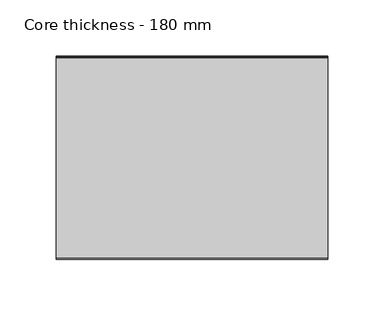
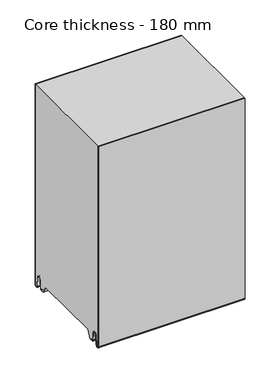
"""IFC4 building model written with IfcOpenShell, lengths in millimetres: plate geometry, Core thickness - 180 mm."""

from ifc_helpers import new_model, si_unit, frame, origin, place, context, project, spatial, polyline, circle_curve, source, transform, mapped, element, save
from ifc_brep_helpers import plane_surface, cylinder_surface, revolved_surface, advanced_brep


def core_thickness_180_mm_d62618c6(model_context):
    return source(origin(), model_context, "Body", "AdvancedBrep", [
        advanced_brep(
        [(119.9999998, -179.9996949, 3.0900682), (119.9999998, -173.81449, 2.7875612), (119.9999998, -172.197116, 19.2828169), (119.9999998, -169.1776715, 21.9898782), (119.9999998, -166.1582271, 19.2828169), (119.9999998, -164.7725998, 5.1510966), (119.9999998, -160.3830995, 5.365779), (119.9999998, -161.1830995, 5.365779), (119.9999998, -163.9764178, 5.2291629), (119.9999998, -165.3620451, 19.3608832), (119.9999998, -169.1776715, 22.7899182), (119.9999998, -172.9932979, 19.3608832), (119.9999998, -174.6106719, 2.8656275), (119.9999998, -179.1996949, 3.0900682), (119.9999998, -179.2, 350.0), (119.9999998, -179.9996949, 350.0), (-119.9999998, -179.1996949, 3.0900682), (-119.9999998, -174.6106719, 2.8656275), (-119.9999998, -172.9932979, 19.3608832), (-119.9999998, -169.1776715, 22.7899182), (-119.9999998, -165.3620451, 19.3608832), (-119.9999998, -163.9764178, 5.2291629), (-119.9999998, -161.1830995, 5.365779), (-119.9999998, -160.3830995, 5.365779), (-119.9999998, -164.7725998, 5.1510966), (-119.9999998, -166.1582271, 19.2828169), (-119.9999998, -169.1776715, 21.9898782), (-119.9999998, -172.197116, 19.2828169), (-119.9999998, -173.81449, 2.7875612), (-119.9999998, -179.9996949, 3.0900682), (-119.9999998, -179.9996949, 350.0), (-119.9999998, -179.2, 350.0)],
        [
            (0, 1, circle_curve(frame((119.9999998, -176.8996949, 3.0900682), z_axis=(1.0, 0.0, 0.0), x_axis=(0.0, 0.0, -1.0)), 3.1)),
            (1, 2),
            (2, 3, circle_curve(frame((119.9999998, -169.2114338, 18.9900682), z_axis=(-1.0, 0.0, 0.0), x_axis=(0.0, 0.0, -1.0)), 3.0)),
            (3, 4, circle_curve(frame((119.9999998, -169.1439093, 18.9900682), z_axis=(-1.0, 0.0, 0.0), x_axis=(0.0, 0.0, -1.0)), 3.0)),
            (4, 5),
            (5, 6, circle_curve(frame((119.9999998, -162.5830995, 5.365779), z_axis=(1.0, 0.0, 0.0), x_axis=(0.0, 0.0, -1.0)), 2.2)),
            (6, 7),
            (7, 8, circle_curve(frame((119.9999998, -162.5830995, 5.365779), z_axis=(-1.0, 0.0, 0.0), x_axis=(0.0, 0.0, -1.0)), 1.4)),
            (8, 9),
            (9, 10, circle_curve(frame((119.9999998, -169.1439093, 18.9900682), z_axis=(1.0, 0.0, 0.0), x_axis=(0.0, 0.0, -1.0)), 3.8)),
            (10, 11, circle_curve(frame((119.9999998, -169.2114338, 18.9900682), z_axis=(1.0, 0.0, 0.0), x_axis=(0.0, 0.0, -1.0)), 3.8)),
            (11, 12),
            (12, 13, circle_curve(frame((119.9999998, -176.8996949, 3.0900682), z_axis=(-1.0, 0.0, 0.0), x_axis=(0.0, 0.0, -1.0)), 2.3)),
            (13, 14),
            (14, 15),
            (15, 0),
            (16, 17, circle_curve(frame((-119.9999998, -176.8996949, 3.0900682), z_axis=(1.0, 0.0, 0.0), x_axis=(0.0, 0.0, -1.0)), 2.3)),
            (17, 18),
            (18, 19, circle_curve(frame((-119.9999998, -169.2114338, 18.9900682), z_axis=(-1.0, 0.0, 0.0), x_axis=(0.0, 0.0, -1.0)), 3.8)),
            (19, 20, circle_curve(frame((-119.9999998, -169.1439093, 18.9900682), z_axis=(-1.0, 0.0, 0.0), x_axis=(0.0, 0.0, -1.0)), 3.8)),
            (20, 21),
            (21, 22, circle_curve(frame((-119.9999998, -162.5830995, 5.365779), z_axis=(1.0, 0.0, 0.0), x_axis=(0.0, 0.0, -1.0)), 1.4)),
            (22, 23),
            (23, 24, circle_curve(frame((-119.9999998, -162.5830995, 5.365779), z_axis=(-1.0, 0.0, 0.0), x_axis=(0.0, 0.0, -1.0)), 2.2)),
            (24, 25),
            (25, 26, circle_curve(frame((-119.9999998, -169.1439093, 18.9900682), z_axis=(1.0, 0.0, 0.0), x_axis=(0.0, 0.0, -1.0)), 3.0)),
            (26, 27, circle_curve(frame((-119.9999998, -169.2114338, 18.9900682), z_axis=(1.0, 0.0, 0.0), x_axis=(0.0, 0.0, -1.0)), 3.0)),
            (27, 28),
            (28, 29, circle_curve(frame((-119.9999998, -176.8996949, 3.0900682), z_axis=(-1.0, 0.0, 0.0), x_axis=(0.0, 0.0, -1.0)), 3.1)),
            (29, 30),
            (30, 31),
            (31, 16),
            (13, 16),
            (31, 14),
            (29, 0),
            (15, 30),
            (12, 17),
            (11, 18),
            (10, 19),
            (9, 20),
            (8, 21),
            (7, 22),
            (6, 23),
            (5, 24),
            (4, 25),
            (3, 26),
            (2, 27),
            (1, 28),
        ],
        [
            plane_surface(frame((119.9999998, -180.0, 0.0), z_axis=(1.0, 0.0, 0.0), x_axis=(0.0, 1.0, 0.0))),
            plane_surface(frame((-119.9999998, -180.0, 0.0), z_axis=(-1.0, 0.0, 0.0), x_axis=(0.0, 1.0, 0.0))),
            plane_surface(frame((119.9999998, -179.2, 3.0900682), z_axis=(0.0, 1.0, 0.0), x_axis=(-1.0, 0.0, 0.0))),
            plane_surface(frame((119.9999998, -179.9996949, 1143.9000005), z_axis=(0.0, -1.0, 0.0), x_axis=(-1.0, 0.0, 0.0))),
            revolved_surface(polyline([(-119.9999998, -176.8996949, 0.7900682000000003), (119.9999998, -176.8996949, 0.7900682000000003)]), (119.9999998, -176.8996949, 3.0900682), (-1.0, 0.0, 0.0)),
            plane_surface(frame((119.9999998, -172.9932979, 19.3608832), z_axis=(0.0, -0.9952273999818314, 0.09758289975914787), x_axis=(-1.0, 0.0, 0.0))),
            cylinder_surface(frame((119.9999998, -169.2114338, 18.9900682), z_axis=(1.0, 0.0, 0.0), x_axis=(0.0, 0.0, -1.0)), 3.8),
            cylinder_surface(frame((119.9999998, -169.1439093, 18.9900682), z_axis=(1.0, 0.0, 0.0), x_axis=(0.0, 0.0, -1.0)), 3.8),
            plane_surface(frame((119.9999998, -163.9764178, 5.2291629), z_axis=(0.0, 0.9952273999818297, 0.09758289975916531), x_axis=(-1.0, 0.0, 0.0))),
            revolved_surface(polyline([(-119.9999998, -162.5830995, 3.965779), (119.9999998, -162.5830995, 3.965779)]), (119.9999998, -162.5830995, 5.365779), (-1.0, 0.0, 0.0)),
            plane_surface(frame((119.9999998, -160.3830995, 5.365779), z_axis=(0.0, 0.0, 1.0), x_axis=(-1.0, 0.0, 0.0))),
            cylinder_surface(frame((119.9999998, -162.5830995, 5.365779), z_axis=(1.0, 0.0, 0.0), x_axis=(0.0, 0.0, -1.0)), 2.2),
            plane_surface(frame((119.9999998, -166.1582271, 19.2828169), z_axis=(0.0, -0.9952273999818296, -0.09758289975916527), x_axis=(-1.0, 0.0, 0.0))),
            revolved_surface(polyline([(-119.9999998, -169.1439093, 15.9900682), (119.9999998, -169.1439093, 15.9900682)]), (119.9999998, -169.1439093, 18.9900682), (-1.0, 0.0, 0.0)),
            revolved_surface(polyline([(-119.9999998, -169.2114338, 15.9900682), (119.9999998, -169.2114338, 15.9900682)]), (119.9999998, -169.2114338, 18.9900682), (-1.0, 0.0, 0.0)),
            plane_surface(frame((119.9999998, -173.81449, 2.7875612), z_axis=(0.0, 0.9952273999818314, -0.09758289975914787), x_axis=(-1.0, 0.0, 0.0))),
            cylinder_surface(frame((119.9999998, -176.8996949, 3.0900682), z_axis=(1.0, 0.0, 0.0), x_axis=(0.0, 0.0, -1.0)), 3.1),
            plane_surface(frame((-119.9999998, 134.0533409, 350.0), z_axis=(0.0, 0.0, 1.0), x_axis=(1.0, 0.0, 0.0))),
        ],
        [
            (0, [[1, 2, 3, 4, 5, 6, 7, 8, 9, 10, 11, 12, 13, 14, 15, 16]]),
            (1, [[17, 18, 19, 20, 21, 22, 23, 24, 25, 26, 27, 28, 29, 30, 31, 32]]),
            (2, [[33, -32, 34, -14]]),
            (3, [[35, -16, 36, -30]]),
            (4, [[-13, 37, -17, -33]]),
            (5, [[-12, 38, -18, -37]]),
            (6, [[-11, 39, -19, -38]]),
            (7, [[-10, 40, -20, -39]]),
            (8, [[-9, 41, -21, -40]]),
            (9, [[-8, 42, -22, -41]]),
            (10, [[-7, 43, -23, -42]]),
            (11, [[-6, 44, -24, -43]]),
            (12, [[-5, 45, -25, -44]]),
            (13, [[-4, 46, -26, -45]]),
            (14, [[-3, 47, -27, -46]]),
            (15, [[-2, 48, -28, -47]]),
            (16, [[-1, -35, -29, -48]]),
            (17, [[-15, -34, -31, -36]]),
        ],
    ),
        advanced_brep(
        [(119.9999998, -149.873448, 15.1417681), (119.9999998, -30.126552, 15.1417681), (119.9999998, -23.4071318, 3.165779), (119.9999998, -17.4169005, 3.165779), (119.9999998, -19.6169005, 5.365779), (119.9999998, -18.8169005, 5.365779), (119.9999998, -16.0235822, 5.2291629), (119.9999998, -14.6379549, 19.3608832), (119.9999998, -10.8223285, 22.7899182), (119.9999998, -7.0067021, 19.3608832), (119.9999998, -5.3893281, 2.8656275), (119.9999998, -1.0794848, 4.1883784), (119.9999998, -1.5003051, 5.8439114), (119.9999998, -1.5003051, 42.0511837), (119.9999998, -1.0971009, 43.4705951), (119.9999998, -0.8, 44.5229805), (119.9999998, -0.8, 94.6827637), (119.9999998, -1.0986697, 95.7341795), (119.9999998, -1.5003051, 97.1545605), (119.9999998, -1.5003051, 147.3143437), (119.9999998, -1.0971009, 148.7337551), (119.9999998, -0.8, 149.7861405), (119.9999998, -0.8, 199.9459237), (119.9999998, -1.0986697, 200.9973395), (119.9999998, -1.5003051, 202.4177205), (119.9999998, -1.5003051, 252.5775037), (119.9999998, -1.0971009, 253.9969151), (119.9999998, -0.8, 255.0493005), (119.9999998, -0.8, 305.2090837), (119.9999998, -1.0986697, 306.2604995), (119.9999998, -1.5003051, 307.6808805), (119.9999998, -1.5003051, 350.0), (119.9999998, -179.2, 350.0), (119.9999998, -179.2, 3.0900682), (119.9999998, -174.6106719, 2.8656275), (119.9999998, -172.9932979, 19.3608832), (119.9999998, -169.1776715, 22.7899182), (119.9999998, -165.3620451, 19.3608832), (119.9999998, -163.9764178, 5.2291629), (119.9999998, -161.1830995, 5.365779), (119.9999998, -160.3830995, 5.365779), (119.9999998, -162.5830995, 3.165779), (119.9999998, -156.5928682, 3.165779), (-119.9999998, -30.126552, 15.1417681), (-119.9999998, -149.873448, 15.1417681), (-119.9999998, -156.5928682, 3.165779), (-119.9999998, -162.5830995, 3.165779), (-119.9999998, -160.3830995, 5.365779), (-119.9999998, -161.1830995, 5.365779), (-119.9999998, -163.9764178, 5.2291629), (-119.9999998, -165.3620451, 19.3608832), (-119.9999998, -169.1776715, 22.7899182), (-119.9999998, -172.9932979, 19.3608832), (-119.9999998, -174.6106719, 2.8656275), (-119.9999998, -179.1996949, 3.0900682), (-119.9999998, -179.2, 350.0), (-119.9999998, -1.5003051, 350.0), (-119.9999998, -1.5003051, 307.6808805), (-119.9999998, -1.0971009, 306.2614691), (-119.9999998, -0.8, 305.2090837), (-119.9999998, -0.8, 255.0493005), (-119.9999998, -1.0986697, 253.9978846), (-119.9999998, -1.5003051, 252.5775037), (-119.9999998, -1.5003051, 202.4177205), (-119.9999998, -1.0971009, 200.9983091), (-119.9999998, -0.8, 199.9459237), (-119.9999998, -0.8, 149.7861405), (-119.9999998, -1.0986697, 148.7347246), (-119.9999998, -1.5003051, 147.3143437), (-119.9999998, -1.5003051, 97.1545605), (-119.9999998, -1.0971009, 95.7351491), (-119.9999998, -0.8, 94.6827637), (-119.9999998, -0.8, 44.5229805), (-119.9999998, -1.0986697, 43.4715646), (-119.9999998, -1.5003051, 42.0511837), (-119.9999998, -1.5003051, 5.8439114), (-119.9999998, -1.0794848, 4.1883784), (-119.9999998, -5.3893281, 2.8656275), (-119.9999998, -7.0067021, 19.3608832), (-119.9999998, -10.8223285, 22.7899182), (-119.9999998, -14.6379549, 19.3608832), (-119.9999998, -16.0235822, 5.2291629), (-119.9999998, -18.8169005, 5.365779), (-119.9999998, -19.6169005, 5.365779), (-119.9999998, -17.4169005, 3.165779), (-119.9999998, -23.4071318, 3.165779)],
        [
            (0, 1),
            (1, 2),
            (2, 3),
            (3, 4, circle_curve(frame((119.9999998, -17.4169005, 5.365779), z_axis=(-1.0, 0.0, 0.0), x_axis=(0.0, 0.0, -1.0)), 2.2)),
            (4, 5),
            (5, 6, circle_curve(frame((119.9999998, -17.4169005, 5.365779), z_axis=(1.0, 0.0, 0.0), x_axis=(0.0, 0.0, -1.0)), 1.4)),
            (6, 7),
            (7, 8, circle_curve(frame((119.9999998, -10.8560907, 18.9900682), z_axis=(-1.0, 0.0, 0.0), x_axis=(0.0, 0.0, -1.0)), 3.8)),
            (8, 9, circle_curve(frame((119.9999998, -10.7885662, 18.9900682), z_axis=(-1.0, 0.0, 0.0), x_axis=(0.0, 0.0, -1.0)), 3.8)),
            (9, 10),
            (10, 11, circle_curve(frame((119.9999998, -3.1003051, 3.0900682), z_axis=(1.0, 0.0, 0.0), x_axis=(0.0, 0.0, -1.0)), 2.3)),
            (11, 12, circle_curve(frame((119.9999998, 1.9665895, 5.8439114), z_axis=(-1.0, 0.0, 0.0), x_axis=(0.0, 0.0, -1.0)), 3.4668946)),
            (12, 13),
            (13, 14, circle_curve(frame((119.9999998, 1.1996949, 42.0511837), z_axis=(-1.0, 0.0, 0.0), x_axis=(0.0, 0.0, -1.0)), 2.7)),
            (14, 15, circle_curve(frame((119.9999998, -2.8, 44.5229805), z_axis=(1.0, 0.0, 0.0), x_axis=(0.0, 0.0, -1.0)), 2.0)),
            (15, 16),
            (16, 17, circle_curve(frame((119.9999998, -2.8, 94.6827637), z_axis=(1.0, 0.0, 0.0), x_axis=(0.0, 0.0, -1.0)), 2.0)),
            (17, 18, circle_curve(frame((119.9999998, 1.1996949, 97.1545605), z_axis=(-1.0, 0.0, 0.0), x_axis=(0.0, 0.0, -1.0)), 2.7)),
            (18, 19),
            (19, 20, circle_curve(frame((119.9999998, 1.1996949, 147.3143437), z_axis=(-1.0, 0.0, 0.0), x_axis=(0.0, 0.0, -1.0)), 2.7)),
            (20, 21, circle_curve(frame((119.9999998, -2.8, 149.7861405), z_axis=(1.0, 0.0, 0.0), x_axis=(0.0, 0.0, -1.0)), 2.0)),
            (21, 22),
            (22, 23, circle_curve(frame((119.9999998, -2.8, 199.9459237), z_axis=(1.0, 0.0, 0.0), x_axis=(0.0, 0.0, -1.0)), 2.0)),
            (23, 24, circle_curve(frame((119.9999998, 1.1996949, 202.4177205), z_axis=(-1.0, 0.0, 0.0), x_axis=(0.0, 0.0, -1.0)), 2.7)),
            (24, 25),
            (25, 26, circle_curve(frame((119.9999998, 1.1996949, 252.5775037), z_axis=(-1.0, 0.0, 0.0), x_axis=(0.0, 0.0, -1.0)), 2.7)),
            (26, 27, circle_curve(frame((119.9999998, -2.8, 255.0493005), z_axis=(1.0, 0.0, 0.0), x_axis=(0.0, 0.0, -1.0)), 2.0)),
            (27, 28),
            (28, 29, circle_curve(frame((119.9999998, -2.8, 305.2090837), z_axis=(1.0, 0.0, 0.0), x_axis=(0.0, 0.0, -1.0)), 2.0)),
            (29, 30, circle_curve(frame((119.9999998, 1.1996949, 307.6808805), z_axis=(-1.0, 0.0, 0.0), x_axis=(0.0, 0.0, -1.0)), 2.7)),
            (30, 31),
            (31, 32),
            (32, 33),
            (33, 34, circle_curve(frame((119.9999998, -176.8996949, 3.0900682), z_axis=(1.0, 0.0, 0.0), x_axis=(0.0, 0.0, -1.0)), 2.3)),
            (34, 35),
            (35, 36, circle_curve(frame((119.9999998, -169.2114338, 18.9900682), z_axis=(-1.0, 0.0, 0.0), x_axis=(0.0, 0.0, -1.0)), 3.8)),
            (36, 37, circle_curve(frame((119.9999998, -169.1439093, 18.9900682), z_axis=(-1.0, 0.0, 0.0), x_axis=(0.0, 0.0, -1.0)), 3.8)),
            (37, 38),
            (38, 39, circle_curve(frame((119.9999998, -162.5830995, 5.365779), z_axis=(1.0, 0.0, 0.0), x_axis=(0.0, 0.0, -1.0)), 1.4)),
            (39, 40),
            (40, 41, circle_curve(frame((119.9999998, -162.5830995, 5.365779), z_axis=(-1.0, 0.0, 0.0), x_axis=(0.0, 0.0, -1.0)), 2.2)),
            (41, 42),
            (42, 0),
            (43, 44),
            (44, 45),
            (45, 46),
            (46, 47, circle_curve(frame((-119.9999998, -162.5830995, 5.365779), z_axis=(1.0, 0.0, 0.0), x_axis=(0.0, 0.0, -1.0)), 2.2)),
            (47, 48),
            (48, 49, circle_curve(frame((-119.9999998, -162.5830995, 5.365779), z_axis=(-1.0, 0.0, 0.0), x_axis=(0.0, 0.0, -1.0)), 1.4)),
            (49, 50),
            (50, 51, circle_curve(frame((-119.9999998, -169.1439093, 18.9900682), z_axis=(1.0, 0.0, 0.0), x_axis=(0.0, 0.0, -1.0)), 3.8)),
            (51, 52, circle_curve(frame((-119.9999998, -169.2114338, 18.9900682), z_axis=(1.0, 0.0, 0.0), x_axis=(0.0, 0.0, -1.0)), 3.8)),
            (52, 53),
            (53, 54, circle_curve(frame((-119.9999998, -176.8996949, 3.0900682), z_axis=(-1.0, 0.0, 0.0), x_axis=(0.0, 0.0, -1.0)), 2.3)),
            (54, 55),
            (55, 56),
            (56, 57),
            (57, 58, circle_curve(frame((-119.9999998, 1.1996949, 307.6808805), z_axis=(1.0, 0.0, 0.0), x_axis=(0.0, 0.0, -1.0)), 2.7)),
            (58, 59, circle_curve(frame((-119.9999998, -2.8, 305.2090837), z_axis=(-1.0, 0.0, 0.0), x_axis=(0.0, 0.0, -1.0)), 2.0)),
            (59, 60),
            (60, 61, circle_curve(frame((-119.9999998, -2.8, 255.0493005), z_axis=(-1.0, 0.0, 0.0), x_axis=(0.0, 0.0, -1.0)), 2.0)),
            (61, 62, circle_curve(frame((-119.9999998, 1.1996949, 252.5775037), z_axis=(1.0, 0.0, 0.0), x_axis=(0.0, 0.0, -1.0)), 2.7)),
            (62, 63),
            (63, 64, circle_curve(frame((-119.9999998, 1.1996949, 202.4177205), z_axis=(1.0, 0.0, 0.0), x_axis=(0.0, 0.0, -1.0)), 2.7)),
            (64, 65, circle_curve(frame((-119.9999998, -2.8, 199.9459237), z_axis=(-1.0, 0.0, 0.0), x_axis=(0.0, 0.0, -1.0)), 2.0)),
            (65, 66),
            (66, 67, circle_curve(frame((-119.9999998, -2.8, 149.7861405), z_axis=(-1.0, 0.0, 0.0), x_axis=(0.0, 0.0, -1.0)), 2.0)),
            (67, 68, circle_curve(frame((-119.9999998, 1.1996949, 147.3143437), z_axis=(1.0, 0.0, 0.0), x_axis=(0.0, 0.0, -1.0)), 2.7)),
            (68, 69),
            (69, 70, circle_curve(frame((-119.9999998, 1.1996949, 97.1545605), z_axis=(1.0, 0.0, 0.0), x_axis=(0.0, 0.0, -1.0)), 2.7)),
            (70, 71, circle_curve(frame((-119.9999998, -2.8, 94.6827637), z_axis=(-1.0, 0.0, 0.0), x_axis=(0.0, 0.0, -1.0)), 2.0)),
            (71, 72),
            (72, 73, circle_curve(frame((-119.9999998, -2.8, 44.5229805), z_axis=(-1.0, 0.0, 0.0), x_axis=(0.0, 0.0, -1.0)), 2.0)),
            (73, 74, circle_curve(frame((-119.9999998, 1.1996949, 42.0511837), z_axis=(1.0, 0.0, 0.0), x_axis=(0.0, 0.0, -1.0)), 2.7)),
            (74, 75),
            (75, 76, circle_curve(frame((-119.9999998, 1.9665895, 5.8439114), z_axis=(1.0, 0.0, 0.0), x_axis=(0.0, 0.0, -1.0)), 3.4668946)),
            (76, 77, circle_curve(frame((-119.9999998, -3.1003051, 3.0900682), z_axis=(-1.0, 0.0, 0.0), x_axis=(0.0, 0.0, -1.0)), 2.3)),
            (77, 78),
            (78, 79, circle_curve(frame((-119.9999998, -10.7885662, 18.9900682), z_axis=(1.0, 0.0, 0.0), x_axis=(0.0, 0.0, -1.0)), 3.8)),
            (79, 80, circle_curve(frame((-119.9999998, -10.8560907, 18.9900682), z_axis=(1.0, 0.0, 0.0), x_axis=(0.0, 0.0, -1.0)), 3.8)),
            (80, 81),
            (81, 82, circle_curve(frame((-119.9999998, -17.4169005, 5.365779), z_axis=(-1.0, 0.0, 0.0), x_axis=(0.0, 0.0, -1.0)), 1.4)),
            (82, 83),
            (83, 84, circle_curve(frame((-119.9999998, -17.4169005, 5.365779), z_axis=(1.0, 0.0, 0.0), x_axis=(0.0, 0.0, -1.0)), 2.2)),
            (84, 85),
            (85, 43),
            (1, 43),
            (85, 2),
            (0, 44),
            (42, 45),
            (64, 23),
            (22, 65),
            (63, 24),
            (62, 25),
            (61, 26),
            (60, 27),
            (59, 28),
            (58, 29),
            (57, 30),
            (56, 31),
            (54, 33),
            (32, 55),
            (84, 3),
            (41, 46),
            (83, 4),
            (82, 5),
            (81, 6),
            (80, 7),
            (79, 8),
            (78, 9),
            (77, 10),
            (76, 11),
            (75, 12),
            (74, 13),
            (73, 14),
            (72, 15),
            (71, 16),
            (70, 17),
            (69, 18),
            (68, 19),
            (67, 20),
            (66, 21),
            (53, 34),
            (52, 35),
            (51, 36),
            (50, 37),
            (49, 38),
            (48, 39),
            (47, 40),
        ],
        [
            plane_surface(frame((119.9999998, 0.0, 0.0), z_axis=(1.0, 0.0, 0.0), x_axis=(0.0, -1.0, 0.0))),
            plane_surface(frame((-119.9999998, 0.0, 0.0), z_axis=(-1.0, 0.0, 0.0), x_axis=(0.0, -1.0, 0.0))),
            plane_surface(frame((119.9999998, -30.126552, 15.1417681), z_axis=(0.0, -0.8721062992196836, -0.4893164649399687), x_axis=(-1.0, 0.0, 0.0))),
            plane_surface(frame((119.9999998, -149.873448, 15.1417681), z_axis=(0.0, 0.0, -1.0), x_axis=(-1.0, 0.0, 0.0))),
            plane_surface(frame((119.9999998, -156.8190247, 2.7627014), z_axis=(0.0, 0.8721062992196842, -0.48931646493996783), x_axis=(-1.0, 0.0, 0.0))),
            cylinder_surface(frame((249.9999998, -2.8, 199.9459237), z_axis=(-1.0, 0.0, 0.0), x_axis=(0.0, 0.0, -1.0)), 2.0),
            revolved_surface(polyline([(119.99999980000001, 1.1996949, 199.7177205), (-119.99999980000001, 1.1996949, 199.7177205)]), (249.9999998, 1.1996949, 202.4177205), (1.0, 0.0, 0.0)),
            plane_surface(frame((249.9999998, -1.5003051, 252.5775037), z_axis=(0.0, 1.0, 0.0), x_axis=(-1.0, 0.0, 0.0))),
            revolved_surface(polyline([(119.99999980000001, 1.1996949, 249.8775037), (-119.99999980000001, 1.1996949, 249.8775037)]), (249.9999998, 1.1996949, 252.5775037), (1.0, 0.0, 0.0)),
            cylinder_surface(frame((249.9999998, -2.8, 255.0493005), z_axis=(-1.0, 0.0, 0.0), x_axis=(0.0, 0.0, -1.0)), 2.0),
            plane_surface(frame((249.9999998, -0.8, 305.2090837), z_axis=(0.0, 1.0, 0.0), x_axis=(-1.0, 0.0, 0.0))),
            cylinder_surface(frame((249.9999998, -2.8, 305.2090837), z_axis=(-1.0, 0.0, 0.0), x_axis=(0.0, 0.0, -1.0)), 2.0),
            revolved_surface(polyline([(119.99999980000001, 1.1996949, 304.9808805), (-119.99999980000001, 1.1996949, 304.9808805)]), (249.9999998, 1.1996949, 307.6808805), (1.0, 0.0, 0.0)),
            plane_surface(frame((249.9999998, -1.5003051, 357.8406637), z_axis=(0.0, 1.0, 0.0), x_axis=(-1.0, 0.0, 0.0))),
            plane_surface(frame((249.9999998, -179.2, 3.0900682), z_axis=(0.0, -1.0, 0.0), x_axis=(-1.0, 0.0, 0.0))),
            plane_surface(frame((-119.9999998, -162.5830995, 3.165779), z_axis=(0.0, 0.0, -1.0), x_axis=(1.0, 0.0, 0.0))),
            revolved_surface(polyline([(119.99999980000001, -17.4169005, 3.1657789999999997), (-119.99999980000001, -17.4169005, 3.1657789999999997)]), (249.9999998, -17.4169005, 5.365779), (1.0, 0.0, 0.0)),
            plane_surface(frame((249.9999998, -18.8169005, 5.365779), z_axis=(0.0, 0.0, -1.0), x_axis=(-1.0, 0.0, 0.0))),
            cylinder_surface(frame((249.9999998, -17.4169005, 5.365779), z_axis=(-1.0, 0.0, 0.0), x_axis=(0.0, 0.0, -1.0)), 1.4),
            plane_surface(frame((249.9999998, -14.6379549, 19.3608832), z_axis=(0.0, 0.9952273999818297, -0.09758289975916531), x_axis=(-1.0, 0.0, 0.0))),
            revolved_surface(polyline([(119.99999980000001, -10.8560907, 15.190068199999999), (-119.99999980000001, -10.8560907, 15.190068199999999)]), (249.9999998, -10.8560907, 18.9900682), (1.0, 0.0, 0.0)),
            revolved_surface(polyline([(119.99999980000001, -10.7885662, 15.190068199999999), (-119.99999980000001, -10.7885662, 15.190068199999999)]), (249.9999998, -10.7885662, 18.9900682), (1.0, 0.0, 0.0)),
            plane_surface(frame((249.9999998, -5.3893281, 2.8656275), z_axis=(0.0, -0.9952273999818314, -0.09758289975914787), x_axis=(-1.0, 0.0, 0.0))),
            cylinder_surface(frame((249.9999998, -3.1003051, 3.0900682), z_axis=(-1.0, 0.0, 0.0), x_axis=(0.0, 0.0, -1.0)), 2.3),
            revolved_surface(polyline([(119.99999980000001, 1.9665895, 2.3770168), (-119.99999980000001, 1.9665895, 2.3770168)]), (249.9999998, 1.9665895, 5.8439114), (1.0, 0.0, 0.0)),
            plane_surface(frame((249.9999998, -1.5003051, 42.0511837), z_axis=(0.0, 1.0, 0.0), x_axis=(-1.0, 0.0, 0.0))),
            revolved_surface(polyline([(119.99999980000001, 1.1996949, 39.3511837), (-119.99999980000001, 1.1996949, 39.3511837)]), (249.9999998, 1.1996949, 42.0511837), (1.0, 0.0, 0.0)),
            cylinder_surface(frame((249.9999998, -2.8, 44.5229805), z_axis=(-1.0, 0.0, 0.0), x_axis=(0.0, 0.0, -1.0)), 2.0),
            plane_surface(frame((249.9999998, -0.8, 94.6827637), z_axis=(0.0, 1.0, 0.0), x_axis=(-1.0, 0.0, 0.0))),
            cylinder_surface(frame((249.9999998, -2.8, 94.6827637), z_axis=(-1.0, 0.0, 0.0), x_axis=(0.0, 0.0, -1.0)), 2.0),
            revolved_surface(polyline([(119.99999980000001, 1.1996949, 94.4545605), (-119.99999980000001, 1.1996949, 94.4545605)]), (249.9999998, 1.1996949, 97.1545605), (1.0, 0.0, 0.0)),
            plane_surface(frame((249.9999998, -1.5003051, 147.3143437), z_axis=(0.0, 1.0, 0.0), x_axis=(-1.0, 0.0, 0.0))),
            revolved_surface(polyline([(119.99999980000001, 1.1996949, 144.6143437), (-119.99999980000001, 1.1996949, 144.6143437)]), (249.9999998, 1.1996949, 147.3143437), (1.0, 0.0, 0.0)),
            cylinder_surface(frame((249.9999998, -2.8, 149.7861405), z_axis=(-1.0, 0.0, 0.0), x_axis=(0.0, 0.0, -1.0)), 2.0),
            plane_surface(frame((249.9999998, -0.8, 199.9459237), z_axis=(0.0, 1.0, 0.0), x_axis=(-1.0, 0.0, 0.0))),
            cylinder_surface(frame((249.9999998, -176.8996949, 3.0900682), z_axis=(-1.0, 0.0, 0.0), x_axis=(0.0, 0.0, -1.0)), 2.3),
            plane_surface(frame((249.9999998, -172.9932979, 19.3608832), z_axis=(0.0, 0.9952273999818314, -0.09758289975914787), x_axis=(-1.0, 0.0, 0.0))),
            revolved_surface(polyline([(119.99999980000001, -169.2114338, 15.190068199999999), (-119.99999980000001, -169.2114338, 15.190068199999999)]), (249.9999998, -169.2114338, 18.9900682), (1.0, 0.0, 0.0)),
            revolved_surface(polyline([(119.99999980000001, -169.1439093, 15.190068199999999), (-119.99999980000001, -169.1439093, 15.190068199999999)]), (249.9999998, -169.1439093, 18.9900682), (1.0, 0.0, 0.0)),
            plane_surface(frame((249.9999998, -163.9764178, 5.2291629), z_axis=(0.0, -0.9952273999818297, -0.09758289975916531), x_axis=(-1.0, 0.0, 0.0))),
            cylinder_surface(frame((249.9999998, -162.5830995, 5.365779), z_axis=(-1.0, 0.0, 0.0), x_axis=(0.0, 0.0, -1.0)), 1.4),
            plane_surface(frame((249.9999998, -160.3830995, 5.365779), z_axis=(0.0, 0.0, -1.0), x_axis=(-1.0, 0.0, 0.0))),
            revolved_surface(polyline([(119.99999980000001, -162.5830995, 3.1657789999999997), (-119.99999980000001, -162.5830995, 3.1657789999999997)]), (249.9999998, -162.5830995, 5.365779), (1.0, 0.0, 0.0)),
            plane_surface(frame((-119.9999998, 134.0533409, 350.0), z_axis=(0.0, 0.0, 1.0), x_axis=(1.0, 0.0, 0.0))),
        ],
        [
            (0, [[1, 2, 3, 4, 5, 6, 7, 8, 9, 10, 11, 12, 13, 14, 15, 16, 17, 18, 19, 20, 21, 22, 23, 24, 25, 26, 27, 28, 29, 30, 31, 32, 33, 34, 35, 36, 37, 38, 39, 40, 41, 42, 43]]),
            (1, [[44, 45, 46, 47, 48, 49, 50, 51, 52, 53, 54, 55, 56, 57, 58, 59, 60, 61, 62, 63, 64, 65, 66, 67, 68, 69, 70, 71, 72, 73, 74, 75, 76, 77, 78, 79, 80, 81, 82, 83, 84, 85, 86]]),
            (2, [[87, -86, 88, -2]]),
            (3, [[-1, 89, -44, -87]]),
            (4, [[-89, -43, 90, -45]]),
            (5, [[91, -23, 92, -65]]),
            (6, [[-91, -64, 93, -24]]),
            (7, [[-93, -63, 94, -25]]),
            (8, [[-94, -62, 95, -26]]),
            (9, [[-95, -61, 96, -27]]),
            (10, [[-96, -60, 97, -28]]),
            (11, [[-97, -59, 98, -29]]),
            (12, [[-98, -58, 99, -30]]),
            (13, [[-99, -57, 100, -31]]),
            (14, [[101, -33, 102, -55]]),
            (15, [[-3, -88, -85, 103]]),
            (15, [[-42, 104, -46, -90]]),
            (16, [[105, -4, -103, -84]]),
            (17, [[-105, -83, 106, -5]]),
            (18, [[-106, -82, 107, -6]]),
            (19, [[-107, -81, 108, -7]]),
            (20, [[-108, -80, 109, -8]]),
            (21, [[-109, -79, 110, -9]]),
            (22, [[-110, -78, 111, -10]]),
            (23, [[-111, -77, 112, -11]]),
            (24, [[-112, -76, 113, -12]]),
            (25, [[-113, -75, 114, -13]]),
            (26, [[-114, -74, 115, -14]]),
            (27, [[-115, -73, 116, -15]]),
            (28, [[-116, -72, 117, -16]]),
            (29, [[-117, -71, 118, -17]]),
            (30, [[-118, -70, 119, -18]]),
            (31, [[-119, -69, 120, -19]]),
            (32, [[-120, -68, 121, -20]]),
            (33, [[-121, -67, 122, -21]]),
            (34, [[-122, -66, -92, -22]]),
            (35, [[-101, -54, 123, -34]]),
            (36, [[-123, -53, 124, -35]]),
            (37, [[-124, -52, 125, -36]]),
            (38, [[-125, -51, 126, -37]]),
            (39, [[-126, -50, 127, -38]]),
            (40, [[-127, -49, 128, -39]]),
            (41, [[-128, -48, 129, -40]]),
            (42, [[-129, -47, -104, -41]]),
            (43, [[-100, -56, -102, -32]]),
        ],
    ),
        advanced_brep(
        [(-119.9999998, -0.7003051, 307.6808805), (-119.9999998, -0.4016712, 306.6295226), (-119.9999998, -0.0003051, 305.2090837), (-119.9999998, -0.0003051, 255.0493005), (-119.9999998, -0.4034608, 253.6299674), (-119.9999998, -0.7003051, 252.5775037), (-119.9999998, -0.7003051, 202.4177205), (-119.9999998, -0.4016712, 201.3663626), (-119.9999998, -0.0003051, 199.9459237), (-119.9999998, -0.0003051, 149.7861405), (-119.9999998, -0.4034608, 148.3668074), (-119.9999998, -0.7003051, 147.3143437), (-119.9999998, -0.7003051, 97.1545605), (-119.9999998, -0.4016712, 96.1032026), (-119.9999998, -0.0003051, 94.6827637), (-119.9999998, -0.0003051, 44.5229805), (-119.9999998, -0.4034608, 43.1036474), (-119.9999998, -0.7003051, 42.0511837), (-119.9999998, -0.7003051, 6.8391397), (-119.9999998, -0.2091664, 4.208691), (-119.9999998, -6.18551, 2.7875612), (-119.9999998, -7.802884, 19.2828169), (-119.9999998, -10.8223285, 21.9898782), (-119.9999998, -13.8417729, 19.2828169), (-119.9999998, -15.2274002, 5.1510966), (-119.9999998, -19.6169005, 5.365779), (-119.9999998, -18.8169005, 5.365779), (-119.9999998, -16.0235822, 5.2291629), (-119.9999998, -14.6379549, 19.3608832), (-119.9999998, -10.8223285, 22.7899182), (-119.9999998, -7.0067021, 19.3608832), (-119.9999998, -5.3893281, 2.8656275), (-119.9999998, -1.0794848, 4.1883784), (-119.9999998, -1.5003051, 5.8439114), (-119.9999998, -1.5003051, 42.0511837), (-119.9999998, -1.0971009, 43.4705951), (-119.9999998, -0.8, 44.5229805), (-119.9999998, -0.8, 94.6827637), (-119.9999998, -1.0986697, 95.7341795), (-119.9999998, -1.5003051, 97.1545605), (-119.9999998, -1.5003051, 147.3143437), (-119.9999998, -1.0971009, 148.7337551), (-119.9999998, -0.8, 149.7861405), (-119.9999998, -0.8, 199.9459237), (-119.9999998, -1.0986697, 200.9973395), (-119.9999998, -1.5003051, 202.4177205), (-119.9999998, -1.5003051, 252.5775037), (-119.9999998, -1.0971009, 253.9969151), (-119.9999998, -0.8, 255.0493005), (-119.9999998, -0.8, 305.2090837), (-119.9999998, -1.0986697, 306.2604995), (-119.9999998, -1.5003051, 307.6808805), (-119.9999998, -1.5003051, 350.0), (-119.9999998, -0.7003051, 350.0), (119.9999998, -1.5003051, 307.6808805), (119.9999998, -1.0971009, 306.2614691), (119.9999998, -0.8, 305.2090837), (119.9999998, -0.8, 255.0493005), (119.9999998, -1.0986697, 253.9978846), (119.9999998, -1.5003051, 252.5775037), (119.9999998, -1.5003051, 202.4177205), (119.9999998, -1.0971009, 200.9983091), (119.9999998, -0.8, 199.9459237), (119.9999998, -0.8, 149.7861405), (119.9999998, -1.0986697, 148.7347246), (119.9999998, -1.5003051, 147.3143437), (119.9999998, -1.5003051, 97.1545605), (119.9999998, -1.0971009, 95.7351491), (119.9999998, -0.8, 94.6827637), (119.9999998, -0.8, 44.5229805), (119.9999998, -1.0986697, 43.4715646), (119.9999998, -1.5003051, 42.0511837), (119.9999998, -1.5003051, 5.8439114), (119.9999998, -1.0794848, 4.1883784), (119.9999998, -5.3893281, 2.8656275), (119.9999998, -7.0067021, 19.3608832), (119.9999998, -10.8223285, 22.7899182), (119.9999998, -14.6379549, 19.3608832), (119.9999998, -16.0235822, 5.2291629), (119.9999998, -18.8169005, 5.365779), (119.9999998, -19.6169005, 5.365779), (119.9999998, -15.2274002, 5.1510966), (119.9999998, -13.8417729, 19.2828169), (119.9999998, -10.8223285, 21.9898782), (119.9999998, -7.802884, 19.2828169), (119.9999998, -6.18551, 2.7875612), (119.9999998, -0.2091664, 4.208691), (119.9999998, -0.7003051, 6.8391397), (119.9999998, -0.7003051, 42.0511837), (119.9999998, -0.4016712, 43.1025415), (119.9999998, -0.0003051, 44.5229805), (119.9999998, -0.0003051, 94.6827637), (119.9999998, -0.4034608, 96.1020968), (119.9999998, -0.7003051, 97.1545605), (119.9999998, -0.7003051, 147.3143437), (119.9999998, -0.4016712, 148.3657015), (119.9999998, -0.0003051, 149.7861405), (119.9999998, -0.0003051, 199.9459237), (119.9999998, -0.4034608, 201.3652568), (119.9999998, -0.7003051, 202.4177205), (119.9999998, -0.7003051, 252.5775037), (119.9999998, -0.4016712, 253.6288615), (119.9999998, -0.0003051, 255.0493005), (119.9999998, -0.0003051, 305.2090837), (119.9999998, -0.4034608, 306.6284168), (119.9999998, -0.7003051, 307.6808805), (119.9999998, -0.7003051, 350.0), (119.9999998, -1.5003051, 350.0)],
        [
            (0, 1, circle_curve(frame((-119.9999998, 1.2996949, 307.6808805), z_axis=(1.0, 0.0, 0.0), x_axis=(0.0, 0.0, -1.0)), 2.0)),
            (1, 2, circle_curve(frame((-119.9999998, -2.7003051, 305.2090837), z_axis=(-1.0, 0.0, 0.0), x_axis=(0.0, 0.0, -1.0)), 2.7)),
            (2, 3),
            (3, 4, circle_curve(frame((-119.9999998, -2.7003051, 255.0493005), z_axis=(-1.0, 0.0, 0.0), x_axis=(0.0, 0.0, -1.0)), 2.7)),
            (4, 5, circle_curve(frame((-119.9999998, 1.2996949, 252.5775037), z_axis=(1.0, 0.0, 0.0), x_axis=(0.0, 0.0, -1.0)), 2.0)),
            (5, 6),
            (6, 7, circle_curve(frame((-119.9999998, 1.2996949, 202.4177205), z_axis=(1.0, 0.0, 0.0), x_axis=(0.0, 0.0, -1.0)), 2.0)),
            (7, 8, circle_curve(frame((-119.9999998, -2.7003051, 199.9459237), z_axis=(-1.0, 0.0, 0.0), x_axis=(0.0, 0.0, -1.0)), 2.7)),
            (8, 9),
            (9, 10, circle_curve(frame((-119.9999998, -2.7003051, 149.7861405), z_axis=(-1.0, 0.0, 0.0), x_axis=(0.0, 0.0, -1.0)), 2.7)),
            (10, 11, circle_curve(frame((-119.9999998, 1.2996949, 147.3143437), z_axis=(1.0, 0.0, 0.0), x_axis=(0.0, 0.0, -1.0)), 2.0)),
            (11, 12),
            (12, 13, circle_curve(frame((-119.9999998, 1.2996949, 97.1545605), z_axis=(1.0, 0.0, 0.0), x_axis=(0.0, 0.0, -1.0)), 2.0)),
            (13, 14, circle_curve(frame((-119.9999998, -2.7003051, 94.6827637), z_axis=(-1.0, 0.0, 0.0), x_axis=(0.0, 0.0, -1.0)), 2.7)),
            (14, 15),
            (15, 16, circle_curve(frame((-119.9999998, -2.7003051, 44.5229805), z_axis=(-1.0, 0.0, 0.0), x_axis=(0.0, 0.0, -1.0)), 2.7)),
            (16, 17, circle_curve(frame((-119.9999998, 1.2996949, 42.0511837), z_axis=(1.0, 0.0, 0.0), x_axis=(0.0, 0.0, -1.0)), 2.0)),
            (17, 18),
            (18, 19, circle_curve(frame((-119.9999998, 6.5893647, 6.8391397), z_axis=(1.0, 0.0, 0.0), x_axis=(0.0, 0.0, -1.0)), 7.2896698)),
            (19, 20, circle_curve(frame((-119.9999998, -3.1003051, 3.0900682), z_axis=(-1.0, 0.0, 0.0), x_axis=(0.0, 0.0, -1.0)), 3.1)),
            (20, 21),
            (21, 22, circle_curve(frame((-119.9999998, -10.7885662, 18.9900682), z_axis=(1.0, 0.0, 0.0), x_axis=(0.0, 0.0, -1.0)), 3.0)),
            (22, 23, circle_curve(frame((-119.9999998, -10.8560907, 18.9900682), z_axis=(1.0, 0.0, 0.0), x_axis=(0.0, 0.0, -1.0)), 3.0)),
            (23, 24),
            (24, 25, circle_curve(frame((-119.9999998, -17.4169005, 5.365779), z_axis=(-1.0, 0.0, 0.0), x_axis=(0.0, 0.0, -1.0)), 2.2)),
            (25, 26),
            (26, 27, circle_curve(frame((-119.9999998, -17.4169005, 5.365779), z_axis=(1.0, 0.0, 0.0), x_axis=(0.0, 0.0, -1.0)), 1.4)),
            (27, 28),
            (28, 29, circle_curve(frame((-119.9999998, -10.8560907, 18.9900682), z_axis=(-1.0, 0.0, 0.0), x_axis=(0.0, 0.0, -1.0)), 3.8)),
            (29, 30, circle_curve(frame((-119.9999998, -10.7885662, 18.9900682), z_axis=(-1.0, 0.0, 0.0), x_axis=(0.0, 0.0, -1.0)), 3.8)),
            (30, 31),
            (31, 32, circle_curve(frame((-119.9999998, -3.1003051, 3.0900682), z_axis=(1.0, 0.0, 0.0), x_axis=(0.0, 0.0, -1.0)), 2.3)),
            (32, 33, circle_curve(frame((-119.9999998, 1.9665895, 5.8439114), z_axis=(-1.0, 0.0, 0.0), x_axis=(0.0, 0.0, -1.0)), 3.4668946)),
            (33, 34),
            (34, 35, circle_curve(frame((-119.9999998, 1.1996949, 42.0511837), z_axis=(-1.0, 0.0, 0.0), x_axis=(0.0, 0.0, -1.0)), 2.7)),
            (35, 36, circle_curve(frame((-119.9999998, -2.8, 44.5229805), z_axis=(1.0, 0.0, 0.0), x_axis=(0.0, 0.0, -1.0)), 2.0)),
            (36, 37),
            (37, 38, circle_curve(frame((-119.9999998, -2.8, 94.6827637), z_axis=(1.0, 0.0, 0.0), x_axis=(0.0, 0.0, -1.0)), 2.0)),
            (38, 39, circle_curve(frame((-119.9999998, 1.1996949, 97.1545605), z_axis=(-1.0, 0.0, 0.0), x_axis=(0.0, 0.0, -1.0)), 2.7)),
            (39, 40),
            (40, 41, circle_curve(frame((-119.9999998, 1.1996949, 147.3143437), z_axis=(-1.0, 0.0, 0.0), x_axis=(0.0, 0.0, -1.0)), 2.7)),
            (41, 42, circle_curve(frame((-119.9999998, -2.8, 149.7861405), z_axis=(1.0, 0.0, 0.0), x_axis=(0.0, 0.0, -1.0)), 2.0)),
            (42, 43),
            (43, 44, circle_curve(frame((-119.9999998, -2.8, 199.9459237), z_axis=(1.0, 0.0, 0.0), x_axis=(0.0, 0.0, -1.0)), 2.0)),
            (44, 45, circle_curve(frame((-119.9999998, 1.1996949, 202.4177205), z_axis=(-1.0, 0.0, 0.0), x_axis=(0.0, 0.0, -1.0)), 2.7)),
            (45, 46),
            (46, 47, circle_curve(frame((-119.9999998, 1.1996949, 252.5775037), z_axis=(-1.0, 0.0, 0.0), x_axis=(0.0, 0.0, -1.0)), 2.7)),
            (47, 48, circle_curve(frame((-119.9999998, -2.8, 255.0493005), z_axis=(1.0, 0.0, 0.0), x_axis=(0.0, 0.0, -1.0)), 2.0)),
            (48, 49),
            (49, 50, circle_curve(frame((-119.9999998, -2.8, 305.2090837), z_axis=(1.0, 0.0, 0.0), x_axis=(0.0, 0.0, -1.0)), 2.0)),
            (50, 51, circle_curve(frame((-119.9999998, 1.1996949, 307.6808805), z_axis=(-1.0, 0.0, 0.0), x_axis=(0.0, 0.0, -1.0)), 2.7)),
            (51, 52),
            (52, 53),
            (53, 0),
            (54, 55, circle_curve(frame((119.9999998, 1.1996949, 307.6808805), z_axis=(1.0, 0.0, 0.0), x_axis=(0.0, 0.0, -1.0)), 2.7)),
            (55, 56, circle_curve(frame((119.9999998, -2.8, 305.2090837), z_axis=(-1.0, 0.0, 0.0), x_axis=(0.0, 0.0, -1.0)), 2.0)),
            (56, 57),
            (57, 58, circle_curve(frame((119.9999998, -2.8, 255.0493005), z_axis=(-1.0, 0.0, 0.0), x_axis=(0.0, 0.0, -1.0)), 2.0)),
            (58, 59, circle_curve(frame((119.9999998, 1.1996949, 252.5775037), z_axis=(1.0, 0.0, 0.0), x_axis=(0.0, 0.0, -1.0)), 2.7)),
            (59, 60),
            (60, 61, circle_curve(frame((119.9999998, 1.1996949, 202.4177205), z_axis=(1.0, 0.0, 0.0), x_axis=(0.0, 0.0, -1.0)), 2.7)),
            (61, 62, circle_curve(frame((119.9999998, -2.8, 199.9459237), z_axis=(-1.0, 0.0, 0.0), x_axis=(0.0, 0.0, -1.0)), 2.0)),
            (62, 63),
            (63, 64, circle_curve(frame((119.9999998, -2.8, 149.7861405), z_axis=(-1.0, 0.0, 0.0), x_axis=(0.0, 0.0, -1.0)), 2.0)),
            (64, 65, circle_curve(frame((119.9999998, 1.1996949, 147.3143437), z_axis=(1.0, 0.0, 0.0), x_axis=(0.0, 0.0, -1.0)), 2.7)),
            (65, 66),
            (66, 67, circle_curve(frame((119.9999998, 1.1996949, 97.1545605), z_axis=(1.0, 0.0, 0.0), x_axis=(0.0, 0.0, -1.0)), 2.7)),
            (67, 68, circle_curve(frame((119.9999998, -2.8, 94.6827637), z_axis=(-1.0, 0.0, 0.0), x_axis=(0.0, 0.0, -1.0)), 2.0)),
            (68, 69),
            (69, 70, circle_curve(frame((119.9999998, -2.8, 44.5229805), z_axis=(-1.0, 0.0, 0.0), x_axis=(0.0, 0.0, -1.0)), 2.0)),
            (70, 71, circle_curve(frame((119.9999998, 1.1996949, 42.0511837), z_axis=(1.0, 0.0, 0.0), x_axis=(0.0, 0.0, -1.0)), 2.7)),
            (71, 72),
            (72, 73, circle_curve(frame((119.9999998, 1.9665895, 5.8439114), z_axis=(1.0, 0.0, 0.0), x_axis=(0.0, 0.0, -1.0)), 3.4668946)),
            (73, 74, circle_curve(frame((119.9999998, -3.1003051, 3.0900682), z_axis=(-1.0, 0.0, 0.0), x_axis=(0.0, 0.0, -1.0)), 2.3)),
            (74, 75),
            (75, 76, circle_curve(frame((119.9999998, -10.7885662, 18.9900682), z_axis=(1.0, 0.0, 0.0), x_axis=(0.0, 0.0, -1.0)), 3.8)),
            (76, 77, circle_curve(frame((119.9999998, -10.8560907, 18.9900682), z_axis=(1.0, 0.0, 0.0), x_axis=(0.0, 0.0, -1.0)), 3.8)),
            (77, 78),
            (78, 79, circle_curve(frame((119.9999998, -17.4169005, 5.365779), z_axis=(-1.0, 0.0, 0.0), x_axis=(0.0, 0.0, -1.0)), 1.4)),
            (79, 80),
            (80, 81, circle_curve(frame((119.9999998, -17.4169005, 5.365779), z_axis=(1.0, 0.0, 0.0), x_axis=(0.0, 0.0, -1.0)), 2.2)),
            (81, 82),
            (82, 83, circle_curve(frame((119.9999998, -10.8560907, 18.9900682), z_axis=(-1.0, 0.0, 0.0), x_axis=(0.0, 0.0, -1.0)), 3.0)),
            (83, 84, circle_curve(frame((119.9999998, -10.7885662, 18.9900682), z_axis=(-1.0, 0.0, 0.0), x_axis=(0.0, 0.0, -1.0)), 3.0)),
            (84, 85),
            (85, 86, circle_curve(frame((119.9999998, -3.1003051, 3.0900682), z_axis=(1.0, 0.0, 0.0), x_axis=(0.0, 0.0, -1.0)), 3.1)),
            (86, 87, circle_curve(frame((119.9999998, 6.5893647, 6.8391397), z_axis=(-1.0, 0.0, 0.0), x_axis=(0.0, 0.0, -1.0)), 7.2896698)),
            (87, 88),
            (88, 89, circle_curve(frame((119.9999998, 1.2996949, 42.0511837), z_axis=(-1.0, 0.0, 0.0), x_axis=(0.0, 0.0, -1.0)), 2.0)),
            (89, 90, circle_curve(frame((119.9999998, -2.7003051, 44.5229805), z_axis=(1.0, 0.0, 0.0), x_axis=(0.0, 0.0, -1.0)), 2.7)),
            (90, 91),
            (91, 92, circle_curve(frame((119.9999998, -2.7003051, 94.6827637), z_axis=(1.0, 0.0, 0.0), x_axis=(0.0, 0.0, -1.0)), 2.7)),
            (92, 93, circle_curve(frame((119.9999998, 1.2996949, 97.1545605), z_axis=(-1.0, 0.0, 0.0), x_axis=(0.0, 0.0, -1.0)), 2.0)),
            (93, 94),
            (94, 95, circle_curve(frame((119.9999998, 1.2996949, 147.3143437), z_axis=(-1.0, 0.0, 0.0), x_axis=(0.0, 0.0, -1.0)), 2.0)),
            (95, 96, circle_curve(frame((119.9999998, -2.7003051, 149.7861405), z_axis=(1.0, 0.0, 0.0), x_axis=(0.0, 0.0, -1.0)), 2.7)),
            (96, 97),
            (97, 98, circle_curve(frame((119.9999998, -2.7003051, 199.9459237), z_axis=(1.0, 0.0, 0.0), x_axis=(0.0, 0.0, -1.0)), 2.7)),
            (98, 99, circle_curve(frame((119.9999998, 1.2996949, 202.4177205), z_axis=(-1.0, 0.0, 0.0), x_axis=(0.0, 0.0, -1.0)), 2.0)),
            (99, 100),
            (100, 101, circle_curve(frame((119.9999998, 1.2996949, 252.5775037), z_axis=(-1.0, 0.0, 0.0), x_axis=(0.0, 0.0, -1.0)), 2.0)),
            (101, 102, circle_curve(frame((119.9999998, -2.7003051, 255.0493005), z_axis=(1.0, 0.0, 0.0), x_axis=(0.0, 0.0, -1.0)), 2.7)),
            (102, 103),
            (103, 104, circle_curve(frame((119.9999998, -2.7003051, 305.2090837), z_axis=(1.0, 0.0, 0.0), x_axis=(0.0, 0.0, -1.0)), 2.7)),
            (104, 105, circle_curve(frame((119.9999998, 1.2996949, 307.6808805), z_axis=(-1.0, 0.0, 0.0), x_axis=(0.0, 0.0, -1.0)), 2.0)),
            (105, 106),
            (106, 107),
            (107, 54),
            (51, 54),
            (107, 52),
            (50, 55),
            (49, 56),
            (48, 57),
            (47, 58),
            (46, 59),
            (45, 60),
            (44, 61),
            (43, 62),
            (31, 74),
            (73, 32),
            (30, 75),
            (29, 76),
            (28, 77),
            (27, 78),
            (26, 79),
            (25, 80),
            (24, 81),
            (23, 82),
            (22, 83),
            (21, 84),
            (20, 85),
            (19, 86),
            (7, 98),
            (97, 8),
            (6, 99),
            (5, 100),
            (4, 101),
            (3, 102),
            (2, 103),
            (1, 104),
            (0, 105),
            (53, 106),
            (42, 63),
            (41, 64),
            (40, 65),
            (39, 66),
            (38, 67),
            (37, 68),
            (36, 69),
            (35, 70),
            (34, 71),
            (33, 72),
            (18, 87),
            (17, 88),
            (16, 89),
            (15, 90),
            (14, 91),
            (13, 92),
            (12, 93),
            (11, 94),
            (10, 95),
            (9, 96),
        ],
        [
            plane_surface(frame((-119.9999998, 0.0, 0.0), z_axis=(-1.0, 0.0, 0.0), x_axis=(0.0, -1.0, 0.0))),
            plane_surface(frame((119.9999998, 0.0, 0.0), z_axis=(1.0, 0.0, 0.0), x_axis=(0.0, -1.0, 0.0))),
            plane_surface(frame((-119.9999998, -1.5003051, 307.6808805), z_axis=(0.0, -1.0, 0.0), x_axis=(1.0, 0.0, 0.0))),
            cylinder_surface(frame((-119.9999998, 1.1996949, 307.6808805), z_axis=(-1.0, 0.0, 0.0), x_axis=(0.0, 0.0, -1.0)), 2.7),
            revolved_surface(polyline([(119.9999998, -2.8, 303.2090837), (-119.9999998, -2.8, 303.2090837)]), (-119.9999998, -2.8, 305.2090837), (1.0, 0.0, 0.0)),
            plane_surface(frame((-119.9999998, -0.8, 255.0493005), z_axis=(0.0, -1.0, 0.0), x_axis=(1.0, 0.0, 0.0))),
            revolved_surface(polyline([(119.9999998, -2.8, 253.0493005), (-119.9999998, -2.8, 253.0493005)]), (-119.9999998, -2.8, 255.0493005), (1.0, 0.0, 0.0)),
            cylinder_surface(frame((-119.9999998, 1.1996949, 252.5775037), z_axis=(-1.0, 0.0, 0.0), x_axis=(0.0, 0.0, -1.0)), 2.7),
            plane_surface(frame((-119.9999998, -1.5003051, 202.4177205), z_axis=(0.0, -1.0, 0.0), x_axis=(1.0, 0.0, 0.0))),
            cylinder_surface(frame((-119.9999998, 1.1996949, 202.4177205), z_axis=(-1.0, 0.0, 0.0), x_axis=(0.0, 0.0, -1.0)), 2.7),
            revolved_surface(polyline([(119.9999998, -2.8, 197.9459237), (-119.9999998, -2.8, 197.9459237)]), (-119.9999998, -2.8, 199.9459237), (1.0, 0.0, 0.0)),
            revolved_surface(polyline([(119.9999998, -3.1003051, 0.7900682000000003), (-119.9999998, -3.1003051, 0.7900682000000003)]), (-119.9999998, -3.1003051, 3.0900682), (1.0, 0.0, 0.0)),
            plane_surface(frame((-119.9999998, -7.0067021, 19.3608832), z_axis=(0.0, 0.9952273999818314, 0.09758289975914787), x_axis=(1.0, 0.0, 0.0))),
            cylinder_surface(frame((-119.9999998, -10.7885662, 18.9900682), z_axis=(-1.0, 0.0, 0.0), x_axis=(0.0, 0.0, -1.0)), 3.8),
            cylinder_surface(frame((-119.9999998, -10.8560907, 18.9900682), z_axis=(-1.0, 0.0, 0.0), x_axis=(0.0, 0.0, -1.0)), 3.8),
            plane_surface(frame((-119.9999998, -16.0235822, 5.2291629), z_axis=(0.0, -0.9952273999818297, 0.09758289975916531), x_axis=(1.0, 0.0, 0.0))),
            revolved_surface(polyline([(119.9999998, -17.4169005, 3.965779), (-119.9999998, -17.4169005, 3.965779)]), (-119.9999998, -17.4169005, 5.365779), (1.0, 0.0, 0.0)),
            plane_surface(frame((-119.9999998, -19.6169005, 5.365779), z_axis=(0.0, 0.0, 1.0), x_axis=(1.0, 0.0, 0.0))),
            cylinder_surface(frame((-119.9999998, -17.4169005, 5.365779), z_axis=(-1.0, 0.0, 0.0), x_axis=(0.0, 0.0, -1.0)), 2.2),
            plane_surface(frame((-119.9999998, -13.8417729, 19.2828169), z_axis=(0.0, 0.9952273999818296, -0.09758289975916527), x_axis=(1.0, 0.0, 0.0))),
            revolved_surface(polyline([(119.9999998, -10.8560907, 15.9900682), (-119.9999998, -10.8560907, 15.9900682)]), (-119.9999998, -10.8560907, 18.9900682), (1.0, 0.0, 0.0)),
            revolved_surface(polyline([(119.9999998, -10.7885662, 15.9900682), (-119.9999998, -10.7885662, 15.9900682)]), (-119.9999998, -10.7885662, 18.9900682), (1.0, 0.0, 0.0)),
            plane_surface(frame((-119.9999998, -6.18551, 2.7875612), z_axis=(0.0, -0.9952273999818314, -0.09758289975914787), x_axis=(1.0, 0.0, 0.0))),
            cylinder_surface(frame((-119.9999998, -3.1003051, 3.0900682), z_axis=(-1.0, 0.0, 0.0), x_axis=(0.0, 0.0, -1.0)), 3.1),
            cylinder_surface(frame((-119.9999998, -2.7003051, 199.9459237), z_axis=(-1.0, 0.0, 0.0), x_axis=(0.0, 0.0, -1.0)), 2.7),
            revolved_surface(polyline([(119.9999998, 1.2996949, 200.4177205), (-119.9999998, 1.2996949, 200.4177205)]), (-119.9999998, 1.2996949, 202.4177205), (1.0, 0.0, 0.0)),
            plane_surface(frame((-119.9999998, -0.7003051, 252.5775037), z_axis=(0.0, 1.0, 0.0), x_axis=(1.0, 0.0, 0.0))),
            revolved_surface(polyline([(119.9999998, 1.2996949, 250.5775037), (-119.9999998, 1.2996949, 250.5775037)]), (-119.9999998, 1.2996949, 252.5775037), (1.0, 0.0, 0.0)),
            cylinder_surface(frame((-119.9999998, -2.7003051, 255.0493005), z_axis=(-1.0, 0.0, 0.0), x_axis=(0.0, 0.0, -1.0)), 2.7),
            plane_surface(frame((-119.9999998, -0.0003051, 305.2090837), z_axis=(0.0, 1.0, 0.0), x_axis=(1.0, 0.0, 0.0))),
            cylinder_surface(frame((-119.9999998, -2.7003051, 305.2090837), z_axis=(-1.0, 0.0, 0.0), x_axis=(0.0, 0.0, -1.0)), 2.7),
            revolved_surface(polyline([(119.9999998, 1.2996949, 305.6808805), (-119.9999998, 1.2996949, 305.6808805)]), (-119.9999998, 1.2996949, 307.6808805), (1.0, 0.0, 0.0)),
            plane_surface(frame((-119.9999998, -0.7003051, 357.8406637), z_axis=(0.0, 1.0, 0.0), x_axis=(1.0, 0.0, 0.0))),
            plane_surface(frame((-119.9999998, -0.8, 149.7861405), z_axis=(0.0, -1.0, 0.0), x_axis=(1.0, 0.0, 0.0))),
            revolved_surface(polyline([(119.9999998, -2.8, 147.7861405), (-119.9999998, -2.8, 147.7861405)]), (-119.9999998, -2.8, 149.7861405), (1.0, 0.0, 0.0)),
            cylinder_surface(frame((-119.9999998, 1.1996949, 147.3143437), z_axis=(-1.0, 0.0, 0.0), x_axis=(0.0, 0.0, -1.0)), 2.7),
            plane_surface(frame((-119.9999998, -1.5003051, 97.1545605), z_axis=(0.0, -1.0, 0.0), x_axis=(1.0, 0.0, 0.0))),
            cylinder_surface(frame((-119.9999998, 1.1996949, 97.1545605), z_axis=(-1.0, 0.0, 0.0), x_axis=(0.0, 0.0, -1.0)), 2.7),
            revolved_surface(polyline([(119.9999998, -2.8, 92.6827637), (-119.9999998, -2.8, 92.6827637)]), (-119.9999998, -2.8, 94.6827637), (1.0, 0.0, 0.0)),
            plane_surface(frame((-119.9999998, -0.8, 44.5229805), z_axis=(0.0, -1.0, 0.0), x_axis=(1.0, 0.0, 0.0))),
            revolved_surface(polyline([(119.9999998, -2.8, 42.5229805), (-119.9999998, -2.8, 42.5229805)]), (-119.9999998, -2.8, 44.5229805), (1.0, 0.0, 0.0)),
            cylinder_surface(frame((-119.9999998, 1.1996949, 42.0511837), z_axis=(-1.0, 0.0, 0.0), x_axis=(0.0, 0.0, -1.0)), 2.7),
            plane_surface(frame((-119.9999998, -1.5003051, 5.8439114), z_axis=(0.0, -1.0, 0.0), x_axis=(1.0, 0.0, 0.0))),
            cylinder_surface(frame((-119.9999998, 1.9665895, 5.8439114), z_axis=(-1.0, 0.0, 0.0), x_axis=(0.0, 0.0, -1.0)), 3.4668946),
            revolved_surface(polyline([(119.9999998, 6.5893647, -0.4505301000000008), (-119.9999998, 6.5893647, -0.4505301000000008)]), (-119.9999998, 6.5893647, 6.8391397), (1.0, 0.0, 0.0)),
            plane_surface(frame((-119.9999998, -0.7003051, 42.0511837), z_axis=(0.0, 1.0, 0.0), x_axis=(1.0, 0.0, 0.0))),
            revolved_surface(polyline([(119.9999998, 1.2996949, 40.0511837), (-119.9999998, 1.2996949, 40.0511837)]), (-119.9999998, 1.2996949, 42.0511837), (1.0, 0.0, 0.0)),
            cylinder_surface(frame((-119.9999998, -2.7003051, 44.5229805), z_axis=(-1.0, 0.0, 0.0), x_axis=(0.0, 0.0, -1.0)), 2.7),
            plane_surface(frame((-119.9999998, -0.0003051, 94.6827637), z_axis=(0.0, 1.0, 0.0), x_axis=(1.0, 0.0, 0.0))),
            cylinder_surface(frame((-119.9999998, -2.7003051, 94.6827637), z_axis=(-1.0, 0.0, 0.0), x_axis=(0.0, 0.0, -1.0)), 2.7),
            revolved_surface(polyline([(119.9999998, 1.2996949, 95.1545605), (-119.9999998, 1.2996949, 95.1545605)]), (-119.9999998, 1.2996949, 97.1545605), (1.0, 0.0, 0.0)),
            plane_surface(frame((-119.9999998, -0.7003051, 147.3143437), z_axis=(0.0, 1.0, 0.0), x_axis=(1.0, 0.0, 0.0))),
            revolved_surface(polyline([(119.9999998, 1.2996949, 145.3143437), (-119.9999998, 1.2996949, 145.3143437)]), (-119.9999998, 1.2996949, 147.3143437), (1.0, 0.0, 0.0)),
            cylinder_surface(frame((-119.9999998, -2.7003051, 149.7861405), z_axis=(-1.0, 0.0, 0.0), x_axis=(0.0, 0.0, -1.0)), 2.7),
            plane_surface(frame((-119.9999998, -0.0003051, 199.9459237), z_axis=(0.0, 1.0, 0.0), x_axis=(1.0, 0.0, 0.0))),
            plane_surface(frame((-119.9999998, 134.0533409, 350.0), z_axis=(0.0, 0.0, 1.0), x_axis=(1.0, 0.0, 0.0))),
        ],
        [
            (0, [[1, 2, 3, 4, 5, 6, 7, 8, 9, 10, 11, 12, 13, 14, 15, 16, 17, 18, 19, 20, 21, 22, 23, 24, 25, 26, 27, 28, 29, 30, 31, 32, 33, 34, 35, 36, 37, 38, 39, 40, 41, 42, 43, 44, 45, 46, 47, 48, 49, 50, 51, 52, 53, 54]]),
            (1, [[55, 56, 57, 58, 59, 60, 61, 62, 63, 64, 65, 66, 67, 68, 69, 70, 71, 72, 73, 74, 75, 76, 77, 78, 79, 80, 81, 82, 83, 84, 85, 86, 87, 88, 89, 90, 91, 92, 93, 94, 95, 96, 97, 98, 99, 100, 101, 102, 103, 104, 105, 106, 107, 108]]),
            (2, [[109, -108, 110, -52]]),
            (3, [[-51, 111, -55, -109]]),
            (4, [[-50, 112, -56, -111]]),
            (5, [[-49, 113, -57, -112]]),
            (6, [[-48, 114, -58, -113]]),
            (7, [[-47, 115, -59, -114]]),
            (8, [[-46, 116, -60, -115]]),
            (9, [[-45, 117, -61, -116]]),
            (10, [[-44, 118, -62, -117]]),
            (11, [[-32, 119, -74, 120]]),
            (12, [[-31, 121, -75, -119]]),
            (13, [[-30, 122, -76, -121]]),
            (14, [[-29, 123, -77, -122]]),
            (15, [[-28, 124, -78, -123]]),
            (16, [[-27, 125, -79, -124]]),
            (17, [[-26, 126, -80, -125]]),
            (18, [[-25, 127, -81, -126]]),
            (19, [[-24, 128, -82, -127]]),
            (20, [[-23, 129, -83, -128]]),
            (21, [[-22, 130, -84, -129]]),
            (22, [[-21, 131, -85, -130]]),
            (23, [[-20, 132, -86, -131]]),
            (24, [[-8, 133, -98, 134]]),
            (25, [[-7, 135, -99, -133]]),
            (26, [[-6, 136, -100, -135]]),
            (27, [[-5, 137, -101, -136]]),
            (28, [[-4, 138, -102, -137]]),
            (29, [[-3, 139, -103, -138]]),
            (30, [[-2, 140, -104, -139]]),
            (31, [[-1, 141, -105, -140]]),
            (32, [[-141, -54, 142, -106]]),
            (33, [[-43, 143, -63, -118]]),
            (34, [[-42, 144, -64, -143]]),
            (35, [[-41, 145, -65, -144]]),
            (36, [[-40, 146, -66, -145]]),
            (37, [[-39, 147, -67, -146]]),
            (38, [[-38, 148, -68, -147]]),
            (39, [[-37, 149, -69, -148]]),
            (40, [[-36, 150, -70, -149]]),
            (41, [[-35, 151, -71, -150]]),
            (42, [[-34, 152, -72, -151]]),
            (43, [[-33, -120, -73, -152]]),
            (44, [[-19, 153, -87, -132]]),
            (45, [[-18, 154, -88, -153]]),
            (46, [[-17, 155, -89, -154]]),
            (47, [[-16, 156, -90, -155]]),
            (48, [[-15, 157, -91, -156]]),
            (49, [[-14, 158, -92, -157]]),
            (50, [[-13, 159, -93, -158]]),
            (51, [[-12, 160, -94, -159]]),
            (52, [[-11, 161, -95, -160]]),
            (53, [[-10, 162, -96, -161]]),
            (54, [[-9, -134, -97, -162]]),
            (55, [[-53, -110, -107, -142]]),
        ],
    ),
    ])


if __name__ == "__main__":
    model = new_model("IFC4")
    model_context = context("Model", 3, world=origin())
    ifc_project = project(units=[si_unit("LENGTHUNIT", "METRE", prefix="MILLI")], contexts=[model_context])
    site = spatial("IfcSite", under=ifc_project)
    building = spatial("IfcBuilding", under=site)
    placement = place(None, origin())
    core_thickness_180_mm_shape = core_thickness_180_mm_d62618c6(model_context)
    element("IfcPlate", 1, ObjectType="Core thickness - 180 mm", at=placement, inside=building, context=model_context, shape_type="MappedRepresentation", body=[
        mapped(core_thickness_180_mm_shape, transform((0.0, 0.0, 0.0), x_axis=(1.0, 0.0, 0.0), y_axis=(0.0, 1.0, 0.0), z_axis=(0.0, 0.0, 1.0))),
    ])
    save(model, "model.ifc")
